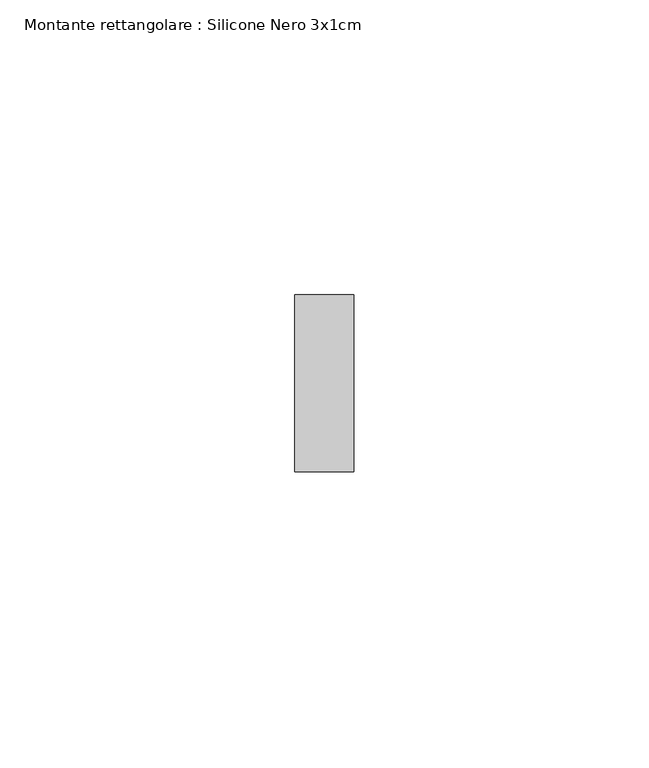
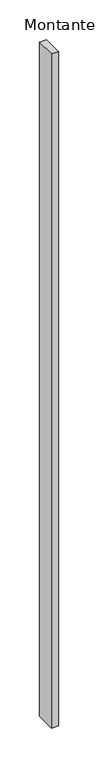
"""IFC4 building model written with IfcOpenShell, lengths in millimetres: member geometry, Montante rettangolare : Silicone Nero 3x1cm."""

from ifc_helpers import new_model, si_unit, frame, origin, place, context, project, spatial, polyline, outline, extrude, source, transform, mapped, element, save


def montante_rettangolare_silicone_nero_3x1cm_ff7f9698(model_context):
    return source(origin(), model_context, "Body", "SweptSolid", [
        extrude(outline(polyline([(0.0, 30.0), (0.0, 0.0), (-10.0, 0.0), (-10.0, 30.0), (0.0, 30.0)])), frame((0.0, 0.0, -1033.3333333), z_axis=(0.0, 0.0, 1.0), x_axis=(1.0, 0.0, 0.0)), (0.0, 0.0, 1.0), 1033.3333333),
    ])


if __name__ == "__main__":
    model = new_model("IFC4")
    model_context = context("Model", 3, world=origin())
    ifc_project = project(units=[si_unit("LENGTHUNIT", "METRE", prefix="MILLI")], contexts=[model_context])
    site = spatial("IfcSite", under=ifc_project)
    building = spatial("IfcBuilding", under=site)
    placement = place(None, origin())
    montante_rettangolare_silicone_nero_3x1cm_shape = montante_rettangolare_silicone_nero_3x1cm_ff7f9698(model_context)
    element("IfcMember", 1, ObjectType="Montante rettangolare : Silicone Nero 3x1cm", at=placement, inside=building, context=model_context, shape_type="MappedRepresentation", body=[
        mapped(montante_rettangolare_silicone_nero_3x1cm_shape, transform((0.0, 0.0, 0.0), x_axis=(1.0, 0.0, 0.0), y_axis=(0.0, 1.0, 0.0), z_axis=(0.0, 0.0, 1.0))),
    ])
    save(model, "model.ifc")
